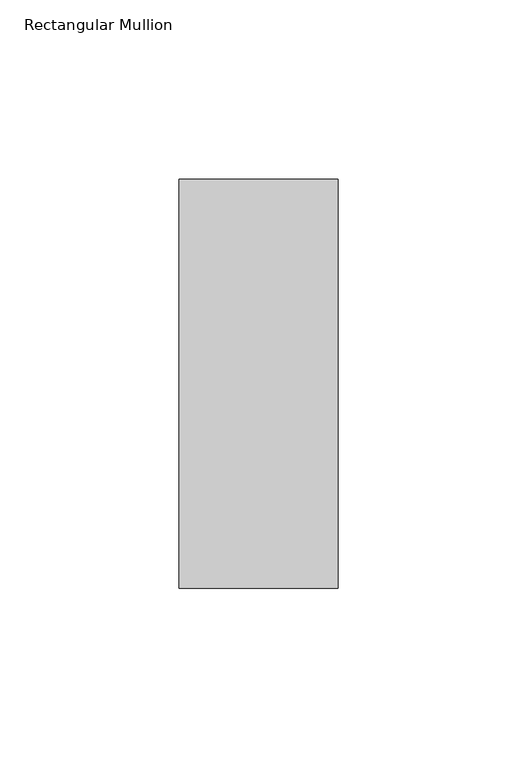
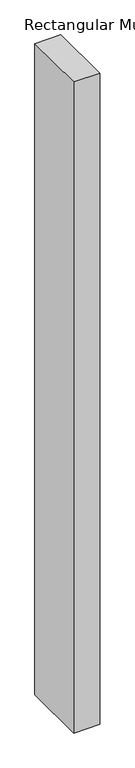
"""IFC4 building model written with IfcOpenShell, lengths in millimetres: member geometry, Rectangular Mullion."""

from ifc_helpers import new_model, si_unit, frame, origin, place, context, project, spatial, polyline, outline, extrude, source, transform, mapped, element, save


def rectangular_mullion_3122838c(model_context):
    return source(origin(), model_context, "Body", "SweptSolid", [
        extrude(outline(polyline([(0.0, 57.1373), (0.0, -57.1373), (-44.45, -57.1373), (-44.45, 57.1373), (0.0, 57.1373)])), frame((0.0, 0.0, -1174.75), z_axis=(0.0, 0.0, 1.0), x_axis=(1.0, 0.0, 0.0)), (0.0, 0.0, 1.0), 1174.75),
    ])


if __name__ == "__main__":
    model = new_model("IFC4")
    model_context = context("Model", 3, world=origin())
    ifc_project = project(units=[si_unit("LENGTHUNIT", "METRE", prefix="MILLI")], contexts=[model_context])
    site = spatial("IfcSite", under=ifc_project)
    building = spatial("IfcBuilding", under=site)
    placement = place(None, origin())
    rectangular_mullion_shape = rectangular_mullion_3122838c(model_context)
    element("IfcMember", 1, ObjectType="Rectangular Mullion", at=placement, inside=building, context=model_context, shape_type="MappedRepresentation", body=[
        mapped(rectangular_mullion_shape, transform((0.0, 0.0, 0.0), x_axis=(1.0, 0.0, 0.0), y_axis=(0.0, 1.0, 0.0), z_axis=(0.0, 0.0, 1.0))),
    ])
    save(model, "model.ifc")
